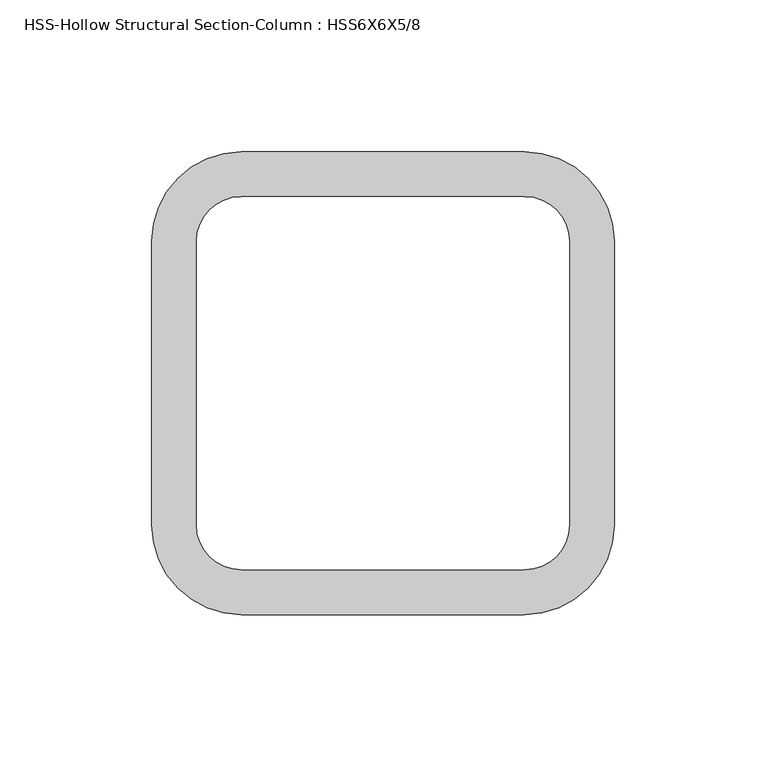
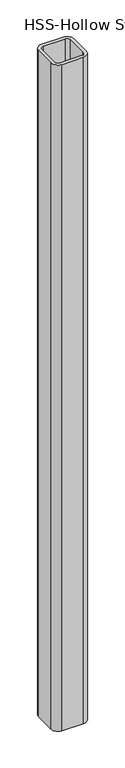
"""IFC4 building model written with IfcOpenShell, lengths in millimetres: column geometry, HSS-Hollow Structural Section-Column : HSS6X6X5/8."""

from ifc_helpers import new_model, si_unit, point, frame, frame_2d, origin, place, context, project, spatial, polyline, circle_curve, trimmed, segment, composite_curve, outline, extrude, source, transform, mapped, element, save


def hss_hollow_structural_section_column_hss6x6x5_8_93f5c04c(model_context):
    return source(origin(), model_context, "Body", "SweptSolid", [
        extrude(outline(composite_curve([segment(trimmed(circle_curve(frame_2d((46.6852, 46.6852)), 29.5148), [point((46.6852, 76.2))], [point((76.2, 46.6852))], False, "CARTESIAN"), True, "CONTINUOUS"), segment(polyline([(76.2, 46.6852), (76.2, -46.6852)]), True, "CONTINUOUS"), segment(trimmed(circle_curve(frame_2d((46.6852, -46.6852)), 29.5148), [point((76.2, -46.6852))], [point((46.6852, -76.2))], False, "CARTESIAN"), True, "CONTINUOUS"), segment(polyline([(46.6852, -76.2), (-46.6852, -76.2)]), True, "CONTINUOUS"), segment(trimmed(circle_curve(frame_2d((-46.6852, -46.6852)), 29.5148), [point((-46.6852, -76.2))], [point((-76.2, -46.6852))], False, "CARTESIAN"), True, "CONTINUOUS"), segment(polyline([(-76.2, -46.6852), (-76.2, 46.6852)]), True, "CONTINUOUS"), segment(trimmed(circle_curve(frame_2d((-46.6852, 46.6852)), 29.5148), [point((-76.2, 46.6852))], [point((-46.6852, 76.2))], False, "CARTESIAN"), True, "CONTINUOUS"), segment(polyline([(-46.6852, 76.2), (46.6852, 76.2)]), True, "CONTINUOUS")], self_intersect=False), holes=[composite_curve([segment(polyline([(46.6852, 61.4426), (-46.6852, 61.4426)]), True, "CONTINUOUS"), segment(trimmed(circle_curve(frame_2d((-46.6852, 46.6852)), 14.7574), [point((-46.6852, 61.4426))], [point((-61.4426, 46.6852))], True, "CARTESIAN"), True, "CONTINUOUS"), segment(polyline([(-61.4426, 46.6852), (-61.4426, -46.6852)]), True, "CONTINUOUS"), segment(trimmed(circle_curve(frame_2d((-46.6852, -46.6852)), 14.7574), [point((-61.4426, -46.6852))], [point((-46.6852, -61.4426))], True, "CARTESIAN"), True, "CONTINUOUS"), segment(polyline([(-46.6852, -61.4426), (46.6852, -61.4426)]), True, "CONTINUOUS"), segment(trimmed(circle_curve(frame_2d((46.6852, -46.6852)), 14.7574), [point((46.6852, -61.4426))], [point((61.4426, -46.6852))], True, "CARTESIAN"), True, "CONTINUOUS"), segment(polyline([(61.4426, -46.6852), (61.4426, 46.6852)]), True, "CONTINUOUS"), segment(trimmed(circle_curve(frame_2d((46.6852, 46.6852)), 14.7574), [point((61.4426, 46.6852))], [point((46.6852, 61.4426))], True, "CARTESIAN"), True, "CONTINUOUS")], self_intersect=False)]), frame((0.0, 0.0, 9144.0), z_axis=(0.0, 0.0, 1.0), x_axis=(1.0, 0.0, 0.0)), (0.0, 0.0, 1.0), 3048.0),
    ])


if __name__ == "__main__":
    model = new_model("IFC4")
    model_context = context("Model", 3, world=origin())
    ifc_project = project(units=[si_unit("LENGTHUNIT", "METRE", prefix="MILLI")], contexts=[model_context])
    site = spatial("IfcSite", under=ifc_project)
    building = spatial("IfcBuilding", under=site)
    placement = place(None, origin())
    hss_hollow_structural_section_column_hss6x6x5_8_shape = hss_hollow_structural_section_column_hss6x6x5_8_93f5c04c(model_context)
    element("IfcColumn", 1, ObjectType="HSS-Hollow Structural Section-Column : HSS6X6X5/8", at=placement, inside=building, context=model_context, shape_type="MappedRepresentation", body=[
        mapped(hss_hollow_structural_section_column_hss6x6x5_8_shape, transform((0.0, 0.0, 0.0), x_axis=(1.0, 0.0, 0.0), y_axis=(0.0, 1.0, 0.0), z_axis=(0.0, 0.0, 1.0))),
    ])
    save(model, "model.ifc")
